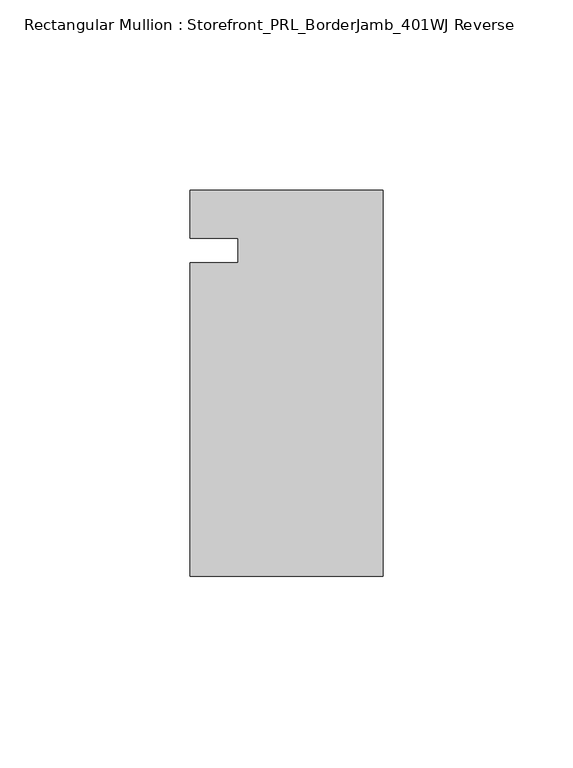
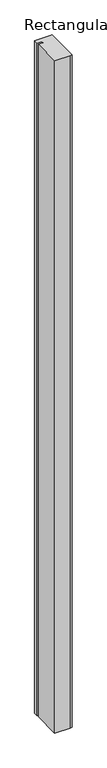
"""IFC4 building model written with IfcOpenShell, lengths in millimetres: member geometry, Rectangular Mullion : Storefront_PRL_BorderJamb_401WJ Reverse."""

import ifcopenshell
import ifcopenshell.guid

model = None  # the IFC model being written
_history = None  # IfcOwnerHistory: only IFC2X3 demands one
_inside = {}  # id of a spatial element -> (the spatial element, [elements in it])
_under = {}  # id of a project, library or spatial element -> (it, [spatial elements below it])
_declared = {}  # id of a project -> (the project, [libraries it declares])
_typed = {}  # id of a type object -> (the type object, [elements of that type])
_made_of = {}  # id of a material, layer set ... -> (it, [elements and type objects made of it])


def new_model(schema):
    """Start an empty IFC model of exactly this schema.

    Asked for "IFC4X3", IfcOpenShell would pick the latest addendum, in which some entities
    have other attributes; the version numbers below select the first issue.
    IFC2X3 requires an IfcOwnerHistory on every rooted entity: one is made here for all.
    """
    global model, _history
    if schema == "IFC4X3":
        model = ifcopenshell.file(schema_version=(4, 3, 0, 0))
    else:
        model = ifcopenshell.file(schema=schema)
    _inside.clear()
    _under.clear()
    _declared.clear()
    _typed.clear()
    _made_of.clear()
    _history = None
    if model.schema == "IFC2X3":
        org = make("IfcOrganization", Name="unknown")
        user = make(
            "IfcPersonAndOrganization",
            ThePerson=make("IfcPerson", FamilyName="unknown"),
            TheOrganization=org,
        )
        app = make(
            "IfcApplication",
            ApplicationDeveloper=org,
            Version="unknown",
            ApplicationFullName="unknown",
            ApplicationIdentifier="unknown",
        )
        _history = make(
            "IfcOwnerHistory",
            OwningUser=user,
            OwningApplication=app,
            ChangeAction="ADDED",
            CreationDate=0,
        )
    return model


def make(cls, **values):
    """One entity of the class cls with the attributes given. An attribute that is None is left unset."""
    return model.create_entity(
        cls, **{name: value for name, value in values.items() if value is not None}
    )


def rooted(cls, **values):
    """An entity with a GlobalId (a new one), such as an element, a storey or a relation."""
    return make(cls, GlobalId=ifcopenshell.guid.new(), OwnerHistory=_history, **values)


def si_unit(unit_type, name, prefix=None):
    """IfcSIUnit, for example si_unit("LENGTHUNIT", "METRE", prefix="MILLI")."""
    return make("IfcSIUnit", UnitType=unit_type, Prefix=prefix, Name=name)


def assignment(units):
    """IfcUnitAssignment: the units of a project."""
    return None if units is None else make("IfcUnitAssignment", Units=units)


def point(xyz):
    """IfcCartesianPoint."""
    return None if xyz is None else make("IfcCartesianPoint", Coordinates=xyz)


def direction(xyz):
    """IfcDirection."""
    return None if xyz is None else make("IfcDirection", DirectionRatios=xyz)


def frame(location, z_axis=None, x_axis=None):
    """IfcAxis2Placement3D, a coordinate frame: its origin and axes. An axis left out is left unset."""
    return make(
        "IfcAxis2Placement3D",
        Location=point(location),
        Axis=direction(z_axis),
        RefDirection=direction(x_axis),
    )


def origin():
    """The frame at (0, 0, 0) with its axes left unset."""
    return frame((0.0, 0.0, 0.0))


def place(relative_to, where):
    """IfcLocalPlacement: puts the frame where relative to a parent placement (None: the world)."""
    return make(
        "IfcLocalPlacement", PlacementRelTo=relative_to, RelativePlacement=where
    )


def context(
    kind, dimensions, precision=None, world=None, true_north=None, identifier=None
):
    """IfcGeometricRepresentationContext, for example the 3D "Model" context."""
    return make(
        "IfcGeometricRepresentationContext",
        ContextIdentifier=identifier,
        ContextType=kind,
        CoordinateSpaceDimension=dimensions,
        Precision=precision,
        WorldCoordinateSystem=world,
        TrueNorth=true_north,
    )


def project(units=None, contexts=None):
    """IfcProject with its units and contexts."""
    return rooted(
        "IfcProject",
        Name="project",
        RepresentationContexts=contexts,
        UnitsInContext=assignment(units),
    )


def spatial(cls, under=None, at=None, **own):
    """A site, building, storey or space (cls), placed at a placement, below another one or the project."""
    s = rooted(cls, ObjectPlacement=at, **own)
    if under is not None:
        _under.setdefault(under.id(), (under, []))[1].append(s)
    return s


def polyline(points):
    """IfcPolyline through the points."""
    return make("IfcPolyline", Points=[point(p) for p in points])


def outline(outer, holes=None, kind="AREA"):
    """IfcArbitraryClosedProfileDef: a profile drawn as a closed curve; with holes, ...WithVoids."""
    if holes is None:
        return make("IfcArbitraryClosedProfileDef", ProfileType=kind, OuterCurve=outer)
    return make(
        "IfcArbitraryProfileDefWithVoids",
        ProfileType=kind,
        OuterCurve=outer,
        InnerCurves=holes,
    )


def extrude(swept, where, along, depth):
    """IfcExtrudedAreaSolid: the profile swept, set in the frame where, extruded along a direction by depth."""
    return make(
        "IfcExtrudedAreaSolid",
        SweptArea=swept,
        Position=where,
        ExtrudedDirection=direction(along),
        Depth=depth,
    )


def shape(context_of_items, identifier, shape_type, items):
    """IfcShapeRepresentation: the items that make up one representation, for example the "Body"."""
    return make(
        "IfcShapeRepresentation",
        ContextOfItems=context_of_items,
        RepresentationIdentifier=identifier,
        RepresentationType=shape_type,
        Items=items,
    )


def source(mapping_origin, context_of_items, identifier, shape_type, items):
    """IfcRepresentationMap: a shape defined once, which mapped items show again and again."""
    return make(
        "IfcRepresentationMap",
        MappingOrigin=mapping_origin,
        MappedRepresentation=shape(context_of_items, identifier, shape_type, items),
    )


def transform(
    local_origin,
    x_axis=None,
    y_axis=None,
    z_axis=None,
    scale=None,
    scale2=None,
    scale3=None,
    uniform=True,
):
    """IfcCartesianTransformationOperator3D, or its non-uniform kind. x_axis, y_axis, z_axis: its Axis1, 2, 3."""
    if uniform:
        return make(
            "IfcCartesianTransformationOperator3D",
            Axis1=direction(x_axis),
            Axis2=direction(y_axis),
            LocalOrigin=point(local_origin),
            Scale=scale,
            Axis3=direction(z_axis),
        )
    return make(
        "IfcCartesianTransformationOperator3DnonUniform",
        Axis1=direction(x_axis),
        Axis2=direction(y_axis),
        LocalOrigin=point(local_origin),
        Scale=scale,
        Axis3=direction(z_axis),
        Scale2=scale2,
        Scale3=scale3,
    )


def mapped(mapping_source, mapping_target):
    """IfcMappedItem: shows the shape of a source again, moved by a transform."""
    return make(
        "IfcMappedItem", MappingSource=mapping_source, MappingTarget=mapping_target
    )


def made_of(thing, what):
    """Note that an element or type object is made of a material, layer set ...; save() writes the relation."""
    if what is not None:
        _made_of.setdefault(what.id(), (what, []))[1].append(thing)
    return thing


def element(
    cls,
    number,
    at=None,
    inside=None,
    cuts=None,
    type_object=None,
    material=None,
    context=None,
    identifier="Body",
    shape_type=None,
    held_by="IfcProductDefinitionShape",
    body=None,
    shapes=None,
    **own,
):
    """One element of the class cls, such as IfcWall. Its Tag is "e" and its number.

    at: its placement. inside: the storey or other place that contains it. cuts: it is an
    opening in that element (IfcRelVoidsElement). A single representation is given by context,
    identifier, shape_type and body (its items); several are given by shapes. held_by: the class
    of the entity that holds the representations. save() writes the other relations.
    """
    e = rooted(cls, Tag="e%d" % number, ObjectPlacement=at, **own)
    if body is not None:
        shapes = [shape(context, identifier, shape_type, body)]
    if shapes is not None:
        e.Representation = make(held_by, Representations=shapes)
    if inside is not None:
        _inside.setdefault(inside.id(), (inside, []))[1].append(e)
    if cuts is not None:
        rooted(
            "IfcRelVoidsElement", RelatingBuildingElement=cuts, RelatedOpeningElement=e
        )
    if type_object is not None:
        _typed.setdefault(type_object.id(), (type_object, []))[1].append(e)
    return made_of(e, material)


def aggregate(whole, parts):
    """IfcRelAggregates: a whole, such as a stair, and the parts it consists of."""
    return rooted("IfcRelAggregates", RelatingObject=whole, RelatedObjects=parts)


def save(model, path):
    """Write the relations noted so far, then the file.

    IfcRelAggregates (storeys below a building ...), IfcRelContainedInSpatialStructure (elements
    in a storey), IfcRelDefinesByType, IfcRelAssociatesMaterial and IfcRelDeclares: one each for
    every whole, place, type object, material and project.
    """
    for whole, parts in _under.values():
        aggregate(whole, parts)
    for where, things in _inside.values():
        rooted(
            "IfcRelContainedInSpatialStructure",
            RelatedElements=things,
            RelatingStructure=where,
        )
    for kind, things in _typed.values():
        rooted("IfcRelDefinesByType", RelatedObjects=things, RelatingType=kind)
    for what, things in _made_of.values():
        rooted("IfcRelAssociatesMaterial", RelatedObjects=things, RelatingMaterial=what)
    for by, libraries in _declared.values():
        rooted("IfcRelDeclares", RelatingContext=by, RelatedDefinitions=libraries)
    model.write(path)


def rectangular_mullion_storefront_prl_borderjamb_401wj_reverse_e863c64b(model_context):
    return source(origin(), model_context, "Body", "SweptSolid", [
        extrude(outline(polyline([(-38.1, -3.175), (-38.1, 3.175), (-50.8, 3.175), (-50.8, 15.875), (-7.3958824, 15.875), (0.0, 15.875), (0.0, -85.725), (-6.35, -85.725), (-50.8, -85.725), (-50.8, -3.175), (-38.1, -3.175)])), frame((0.0, 0.0, -2078.83125), z_axis=(0.0, 0.0, 1.0), x_axis=(1.0, 0.0, 0.0)), (0.0, 0.0, 1.0), 2078.83125),
    ])


if __name__ == "__main__":
    model = new_model("IFC4")
    model_context = context("Model", 3, world=origin())
    ifc_project = project(units=[si_unit("LENGTHUNIT", "METRE", prefix="MILLI")], contexts=[model_context])
    site = spatial("IfcSite", under=ifc_project)
    building = spatial("IfcBuilding", under=site)
    placement = place(None, origin())
    rectangular_mullion_storefront_prl_borderjamb_401wj_reverse_shape = rectangular_mullion_storefront_prl_borderjamb_401wj_reverse_e863c64b(model_context)
    element("IfcMember", 1, ObjectType="Rectangular Mullion : Storefront_PRL_BorderJamb_401WJ Reverse", at=placement, inside=building, context=model_context, shape_type="MappedRepresentation", body=[
        mapped(rectangular_mullion_storefront_prl_borderjamb_401wj_reverse_shape, transform((0.0, 0.0, 0.0), x_axis=(1.0, 0.0, 0.0), y_axis=(0.0, 1.0, 0.0), z_axis=(0.0, 0.0, 1.0))),
    ])
    save(model, "model.ifc")
